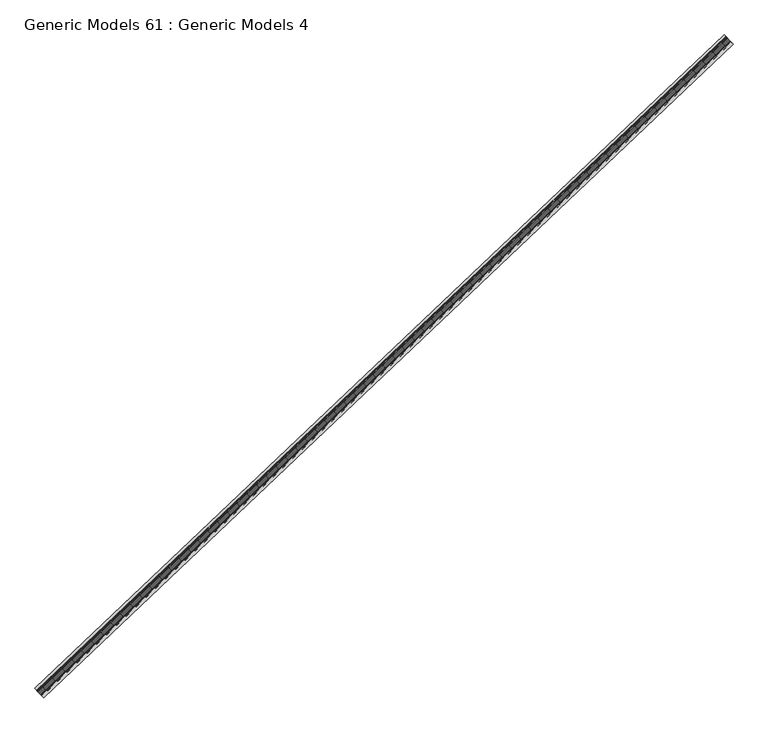
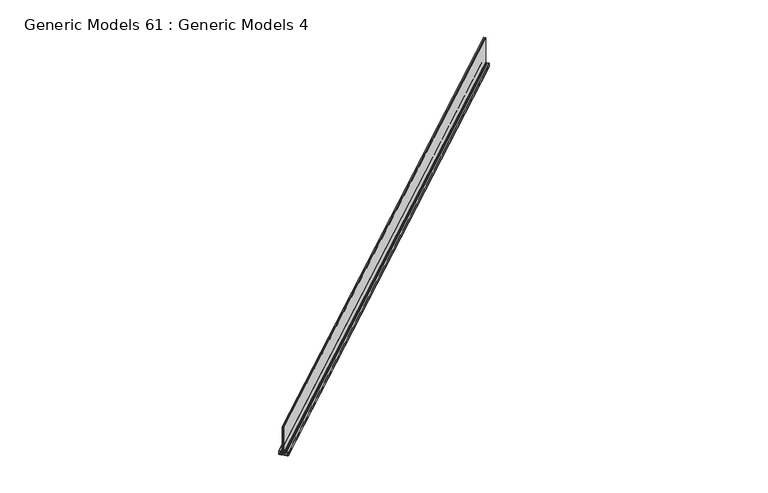
"""IFC4 building model written with IfcOpenShell, lengths in millimetres: proxy geometry, Generic Models 61 : Generic Models 4."""

from ifc_helpers import new_model, si_unit, point, frame, frame_2d, origin, place, context, project, spatial, polyline, circle_curve, trimmed, segment, composite_curve, outline, extrude, source, transform, mapped, element, save


def generic_models_61_generic_models_4_be3d2a1e(model_context):
    return source(origin(), model_context, "Body", "SweptSolid", [
        extrude(outline(composite_curve([segment(trimmed(circle_curve(frame_2d((7.747, 17.5791343)), 1.5795625), [point((9.3265625, 17.5791343))], [point((8.2880548, 16.095127))], False, "CARTESIAN"), True, "CONTINUOUS"), segment(polyline([(8.2880548, 16.095127), (4.4148375, 14.6829892), (4.4148375, 16.1726634), (1.8335625, 16.1726634), (1.8335625, 11.8546634), (0.1984375, 11.8546634), (0.1984375, 21.1353154), (1.8335625, 21.1353154), (1.8335625, 17.5539155), (8.4534375, 17.5539155), (8.4534375, 21.1353154), (9.3265625, 21.1353154), (9.3265625, 17.5791343)]), True, "CONTINUOUS")], self_intersect=False)), frame((109946.1321227, 47311.0721319, 18408.65), z_axis=(0.725374371012385, 0.6883545756936514, 0.0), x_axis=(0.0, 0.0, 1.0)), (0.0, 0.0, 1.0), 8321.675),
        extrude(outline(composite_curve([segment(trimmed(circle_curve(frame_2d((6.096, 96.6885997)), 0.7064375), [point((6.3378975, 97.3523312))], [point((5.390864, 96.6457372))], True, "CARTESIAN"), True, "CONTINUOUS"), segment(polyline([(5.390864, 96.6457372), (1.8335625, 96.6457372), (1.8335625, 33.5511529)]), True, "CONTINUOUS"), segment(trimmed(circle_curve(frame_2d((2.54, 33.5511529)), 0.7064375), [point((1.8335625, 33.5511529))], [point((2.54, 32.8447154))], True, "CARTESIAN"), True, "CONTINUOUS"), segment(polyline([(2.54, 32.8447154), (7.747, 32.8447154)]), True, "CONTINUOUS"), segment(trimmed(circle_curve(frame_2d((7.747, 31.2651528)), 1.5795625), [point((7.747, 32.8447154))], [point((9.3265625, 31.2651528))], False, "CARTESIAN"), True, "CONTINUOUS"), segment(polyline([(9.3265625, 31.2651528), (9.3265625, 27.8821904), (8.4534375, 27.8821904), (8.4534375, 31.4635904), (1.8335625, 31.4635904), (1.8335625, 27.8821904), (0.1984375, 27.8821904), (0.1984375, 102.3448622), (1.8335625, 102.3448622), (1.8335625, 98.0268622), (4.4148375, 98.0268622), (4.4148375, 99.5165363), (9.659985, 97.6042059)]), True, "CONTINUOUS"), segment(trimmed(circle_curve(frame_2d((9.4234, 96.9552996)), 0.6906895), [point((9.659985, 97.6042059))], [point((9.1874141, 96.3061751))], False, "CARTESIAN"), True, "CONTINUOUS"), segment(polyline([(9.1874141, 96.3061751), (6.3378975, 97.3523312)]), True, "CONTINUOUS")], self_intersect=False)), frame((109946.1321227, 47311.0721319, 18408.65), z_axis=(0.725374371012385, 0.6883545756936514, 0.0), x_axis=(0.0, 0.0, 1.0)), (0.0, 0.0, 1.0), 8321.675),
        extrude(outline(composite_curve([segment(trimmed(circle_curve(frame_2d((27.94, 74.6124999)), 2.54), [point((27.94, 77.1525))], [point((25.4, 74.6124999))], True, "CARTESIAN"), True, "CONTINUOUS"), segment(polyline([(25.4, 74.6124999), (25.4, 53.1368), (23.368, 53.1368), (23.368, 56.7182), (17.145, 56.7182), (17.145, 53.1368), (15.875, 53.1368), (15.875, 56.7182)]), True, "CONTINUOUS"), segment(trimmed(circle_curve(frame_2d((17.653, 56.7182)), 1.778), [point((15.875, 56.7182))], [point((17.653, 58.4962))], False, "CARTESIAN"), True, "CONTINUOUS"), segment(polyline([(17.653, 58.4962), (22.86, 58.4962)]), True, "CONTINUOUS"), segment(trimmed(circle_curve(frame_2d((22.86, 59.0041999)), 0.508), [point((22.86, 58.4962))], [point((23.368, 59.0041999))], True, "CARTESIAN"), True, "CONTINUOUS"), segment(polyline([(23.368, 59.0041999), (23.368, 74.8664999)]), True, "CONTINUOUS"), segment(trimmed(circle_curve(frame_2d((27.686, 74.8664999)), 4.318), [point((23.368, 74.8664999))], [point((27.686, 79.1845))], False, "CARTESIAN"), True, "CONTINUOUS"), segment(polyline([(27.686, 79.1845), (42.7842256, 79.1845), (44.4886836, 80.8903736)]), True, "CONTINUOUS"), segment(trimmed(circle_curve(frame_2d((46.3753201, 79.005303)), 2.667), [point((44.4886836, 80.8903736))], [point((46.3753201, 81.6723029))], False, "CARTESIAN"), True, "CONTINUOUS"), segment(polyline([(46.3753201, 81.6723029), (48.26, 81.6723029)]), True, "CONTINUOUS"), segment(trimmed(circle_curve(frame_2d((48.26, 82.180303)), 0.508), [point((48.26, 81.6723029))], [point((48.768, 82.180303))], True, "CARTESIAN"), True, "CONTINUOUS"), segment(polyline([(48.768, 82.180303), (48.768, 83.9918351)]), True, "CONTINUOUS"), segment(trimmed(circle_curve(frame_2d((48.26, 83.9918351)), 0.508), [point((48.768, 83.9918351))], [point((48.0183568, 84.4386825))], True, "CARTESIAN"), True, "CONTINUOUS"), segment(trimmed(circle_curve(frame_2d((46.0248, 88.1251729)), 4.191), [point((48.0183568, 84.4386825))], [point((42.9768, 85.248686))], False, "CARTESIAN"), True, "CONTINUOUS"), segment(polyline([(42.9768, 85.248686), (42.9768, 86.3654094), (43.9350807, 86.9186729)]), True, "CONTINUOUS"), segment(trimmed(circle_curve(frame_2d((46.0248, 88.1251729)), 2.413), [point((43.9350807, 86.9186729))], [point((43.9350807, 89.3316729))], True, "CARTESIAN"), True, "CONTINUOUS"), segment(polyline([(43.9350807, 89.3316729), (42.9768, 89.8849366), (42.9768, 91.0016599)]), True, "CONTINUOUS"), segment(trimmed(circle_curve(frame_2d((46.0248, 88.1251729)), 4.191), [point((42.9768, 91.0016599))], [point((48.0183568, 91.8116635))], False, "CARTESIAN"), True, "CONTINUOUS"), segment(trimmed(circle_curve(frame_2d((48.26, 92.2585109)), 0.508), [point((48.0183568, 91.8116635))], [point((48.768, 92.2585109))], True, "CARTESIAN"), True, "CONTINUOUS"), segment(polyline([(48.768, 92.2585109), (48.768, 110.743873)]), True, "CONTINUOUS"), segment(trimmed(circle_curve(frame_2d((47.244, 110.743873)), 1.524), [point((48.768, 110.743873))], [point((47.244, 112.2678729))], True, "CARTESIAN"), True, "CONTINUOUS"), segment(polyline([(47.244, 112.2678729), (3.556, 112.2678729)]), True, "CONTINUOUS"), segment(trimmed(circle_curve(frame_2d((3.556, 110.743873)), 1.524), [point((3.556, 112.2678729))], [point((2.032, 110.743873))], True, "CARTESIAN"), True, "CONTINUOUS"), segment(polyline([(2.032, 110.743873), (2.032, 104.687714)]), True, "CONTINUOUS"), segment(trimmed(circle_curve(frame_2d((2.54, 103.2508729)), 1.524), [point((2.032, 104.687714))], [point((4.064, 103.2508729))], False, "CARTESIAN"), True, "CONTINUOUS"), segment(polyline([(4.064, 103.2508729), (4.064, 98.4927015)]), True, "CONTINUOUS"), segment(trimmed(circle_curve(frame_2d((3.6068, 99.9996729)), 1.5748), [point((4.064, 98.4927015))], [point((2.032, 99.9996729))], False, "CARTESIAN"), True, "CONTINUOUS"), segment(polyline([(2.032, 99.9996729), (2.032, 102.742873), (0.0, 102.742873), (0.0, 114.299873), (50.8, 114.299873), (50.8, 79.6403029), (46.11214, 79.6403029), (44.2341, 77.760703), (44.2341, 76.286649), (47.2313, 75.628373), (49.0093, 75.628373), (49.0093, 74.6123729), (42.9641, 74.6123729), (42.9641, 76.6445)]), True, "CONTINUOUS"), segment(trimmed(circle_curve(frame_2d((42.4561, 76.6445)), 0.508), [point((42.9641, 76.6445))], [point((42.4561, 77.1525))], True, "CARTESIAN"), True, "CONTINUOUS"), segment(polyline([(42.4561, 77.1525), (27.94, 77.1525)]), True, "CONTINUOUS")], self_intersect=False)), frame((109946.1321227, 47311.0721319, 18408.65), z_axis=(0.725374371012385, 0.6883545756936514, 0.0), x_axis=(0.0, 0.0, 1.0)), (0.0, 0.0, 1.0), 8321.675),
        extrude(outline(composite_curve([segment(trimmed(circle_curve(frame_2d((42.4561, 37.655373)), 0.508), [point((42.4561, 37.1473729))], [point((42.9641, 37.655373))], True, "CARTESIAN"), True, "CONTINUOUS"), segment(polyline([(42.9641, 37.655373), (42.9641, 39.6874999), (49.0093, 39.6874999), (49.0093, 38.6715), (47.2313, 38.6715), (44.2341, 38.0132239), (44.2341, 36.5391699), (46.11214, 34.65957), (50.8, 34.65957), (50.8, 0.0), (0.0, 0.0), (0.0, 11.557), (2.032, 11.557), (2.032, 14.3002)]), True, "CONTINUOUS"), segment(trimmed(circle_curve(frame_2d((3.6068, 14.3002)), 1.5748), [point((2.032, 14.3002))], [point((4.064, 15.8071715))], False, "CARTESIAN"), True, "CONTINUOUS"), segment(polyline([(4.064, 15.8071715), (4.064, 11.049)]), True, "CONTINUOUS"), segment(trimmed(circle_curve(frame_2d((2.54, 11.049)), 1.524), [point((4.064, 11.049))], [point((2.032, 9.612159))], False, "CARTESIAN"), True, "CONTINUOUS"), segment(polyline([(2.032, 9.612159), (2.032, 3.5558729)]), True, "CONTINUOUS"), segment(trimmed(circle_curve(frame_2d((3.556, 3.5558729)), 1.524), [point((2.032, 3.5558729))], [point((3.556, 2.0318729))], True, "CARTESIAN"), True, "CONTINUOUS"), segment(polyline([(3.556, 2.0318729), (47.244, 2.0318729)]), True, "CONTINUOUS"), segment(trimmed(circle_curve(frame_2d((47.244, 3.5558729)), 1.524), [point((47.244, 2.0318729))], [point((48.768, 3.5558729))], True, "CARTESIAN"), True, "CONTINUOUS"), segment(polyline([(48.768, 3.5558729), (48.768, 22.0413621)]), True, "CONTINUOUS"), segment(trimmed(circle_curve(frame_2d((48.26, 22.0413621)), 0.508), [point((48.768, 22.0413621))], [point((48.0183568, 22.4882095))], True, "CARTESIAN"), True, "CONTINUOUS"), segment(trimmed(circle_curve(frame_2d((46.0248, 26.1747)), 4.191), [point((48.0183568, 22.4882095))], [point((42.9768, 23.298213))], False, "CARTESIAN"), True, "CONTINUOUS"), segment(polyline([(42.9768, 23.298213), (42.9768, 24.4149363), (43.9350807, 24.9682)]), True, "CONTINUOUS"), segment(trimmed(circle_curve(frame_2d((46.0248, 26.1747)), 2.413), [point((43.9350807, 24.9682))], [point((43.9350807, 27.3812))], True, "CARTESIAN"), True, "CONTINUOUS"), segment(polyline([(43.9350807, 27.3812), (42.9768, 27.9344636), (42.9768, 29.0511869)]), True, "CONTINUOUS"), segment(trimmed(circle_curve(frame_2d((46.0248, 26.1747)), 4.191), [point((42.9768, 29.0511869))], [point((48.0183568, 29.8611905))], False, "CARTESIAN"), True, "CONTINUOUS"), segment(trimmed(circle_curve(frame_2d((48.26, 30.3080378)), 0.508), [point((48.0183568, 29.8611905))], [point((48.768, 30.3080378))], True, "CARTESIAN"), True, "CONTINUOUS"), segment(polyline([(48.768, 30.3080378), (48.768, 32.11957)]), True, "CONTINUOUS"), segment(trimmed(circle_curve(frame_2d((48.26, 32.11957)), 0.508), [point((48.768, 32.11957))], [point((48.26, 32.6275699))], True, "CARTESIAN"), True, "CONTINUOUS"), segment(polyline([(48.26, 32.6275699), (46.3753201, 32.6275699)]), True, "CONTINUOUS"), segment(trimmed(circle_curve(frame_2d((46.3753201, 35.29457)), 2.667), [point((46.3753201, 32.6275699))], [point((44.4886836, 33.4094993))], False, "CARTESIAN"), True, "CONTINUOUS"), segment(polyline([(44.4886836, 33.4094993), (42.7842256, 35.1153729), (27.686, 35.1153729)]), True, "CONTINUOUS"), segment(trimmed(circle_curve(frame_2d((27.686, 39.4333729)), 4.318), [point((27.686, 35.1153729))], [point((23.368, 39.4333729))], False, "CARTESIAN"), True, "CONTINUOUS"), segment(polyline([(23.368, 39.4333729), (23.368, 41.427273), (17.653, 41.427273)]), True, "CONTINUOUS"), segment(trimmed(circle_curve(frame_2d((17.653, 43.2052729)), 1.778), [point((17.653, 41.427273))], [point((15.875, 43.2052729))], False, "CARTESIAN"), True, "CONTINUOUS"), segment(polyline([(15.875, 43.2052729), (15.875, 46.7867999), (17.145, 46.7867999), (17.145, 43.2053999), (23.368, 43.2053999), (23.368, 46.7867999), (25.4, 46.7867999), (25.4, 39.687373)]), True, "CONTINUOUS"), segment(trimmed(circle_curve(frame_2d((27.94, 39.687373)), 2.54), [point((25.4, 39.687373))], [point((27.94, 37.1473729))], True, "CARTESIAN"), True, "CONTINUOUS"), segment(polyline([(27.94, 37.1473729), (42.4561, 37.1473729)]), True, "CONTINUOUS")], self_intersect=False)), frame((109946.1321227, 47311.0721319, 18408.65), z_axis=(0.725374371012385, 0.6883545756936514, 0.0), x_axis=(0.0, 0.0, 1.0)), (0.0, 0.0, 1.0), 8321.675),
        extrude(outline(polyline([(109996.4167464, 47258.0831948), (109974.8346794, 47280.8259481), (116011.1644483, 53009.0890118), (116032.7465153, 52986.3462585), (109996.4167464, 47258.0831948)])), frame((0.0, 0.0, 18434.8992301), z_axis=(0.0, 0.0, 1.0), x_axis=(1.0, 0.0, 0.0)), (0.0, 0.0, 1.0), 14.684375),
        extrude(outline(polyline([(109981.1081689, 47274.2150695), (109976.7371174, 47278.8211968), (116013.0668863, 53007.0842604), (116017.4379378, 53002.4781332), (109981.1081689, 47274.2150695)])), frame((0.0, 0.0, 18449.925), z_axis=(0.0, 0.0, 1.0), x_axis=(1.0, 0.0, 0.0)), (0.0, 0.0, 1.0), 365.125),
        extrude(outline(polyline([(109994.2213236, 47260.3966877), (109989.850272, 47265.002815), (116026.1800409, 52993.2658787), (116030.5510925, 52988.6597514), (109994.2213236, 47260.3966877)])), frame((0.0, 0.0, 18449.925), z_axis=(0.0, 0.0, 1.0), x_axis=(1.0, 0.0, 0.0)), (0.0, 0.0, 1.0), 365.125),
        extrude(outline(polyline([(109989.7136767, 47265.1467565), (109981.2447643, 47274.071128), (116017.5745332, 53002.3341917), (116026.0434456, 52993.4098201), (109989.7136767, 47265.1467565)])), frame((0.0, 0.0, 18449.925), z_axis=(0.0, 0.0, 1.0), x_axis=(1.0, 0.0, 0.0)), (0.0, 0.0, 1.0), 6.35),
        extrude(outline(composite_curve([segment(trimmed(circle_curve(frame_2d((57.8804882, 76.1301744)), 4.9643345), [point((52.9577698, 76.7716265))], [point((54.2815489, 72.7107808))], True, "CARTESIAN"), True, "CONTINUOUS"), segment(polyline([(54.2815489, 72.7107808), (57.2408154, 70.1619071), (44.329329, 70.1619071), (44.329329, 74.1433571), (49.7804866, 74.1433571), (49.7804866, 75.8820301), (47.8854153, 75.8820301), (44.8848926, 76.5410359), (44.8848926, 77.5316267), (46.5305452, 79.1786463), (51.1842084, 79.1786463), (51.1842084, 80.9559916), (52.3365882, 80.9559916)]), True, "CONTINUOUS"), segment(trimmed(circle_curve(frame_2d((40.9652777, 77.1295956)), 11.9978335), [point((52.3365882, 80.9559916))], [point((52.9577698, 76.7716265))], False, "CARTESIAN"), True, "CONTINUOUS")], self_intersect=False)), frame((109946.1321227, 47311.0721319, 18408.65), z_axis=(0.725374371012385, 0.6883545756936514, 0.0), x_axis=(0.0, 0.0, 1.0)), (0.0, 0.0, 1.0), 8321.675),
        extrude(outline(composite_curve([segment(trimmed(circle_curve(frame_2d((40.9652777, 37.0453364)), 11.9978335), [point((52.9577698, 37.4033055))], [point((52.3365882, 33.2189404))], False, "CARTESIAN"), True, "CONTINUOUS"), segment(polyline([(52.3365882, 33.2189404), (51.1842084, 33.2189404), (51.1842084, 34.9962857), (46.5305452, 34.9962857), (44.8848926, 36.6433052), (44.8848926, 37.633896), (47.8854153, 38.2929019), (49.7804866, 38.2929019), (49.7804866, 40.0315749), (44.329329, 40.0315749), (44.329329, 44.0130249), (57.2408154, 44.0130249), (54.2815489, 41.4641511)]), True, "CONTINUOUS"), segment(trimmed(circle_curve(frame_2d((57.8804882, 38.0447575)), 4.9643345), [point((54.2815489, 41.4641511))], [point((52.9577698, 37.4033055))], True, "CARTESIAN"), True, "CONTINUOUS")], self_intersect=False)), frame((109946.1321227, 47311.0721319, 18408.65), z_axis=(0.725374371012385, 0.6883545756936514, 0.0), x_axis=(0.0, 0.0, 1.0)), (0.0, 0.0, 1.0), 8321.675),
        extrude(outline(polyline([(109967.5170384, 47288.5371327), (109958.4886314, 47298.0510886), (115994.8184003, 53026.3141523), (116003.8468073, 53016.8001964), (109967.5170384, 47288.5371327)])), frame((0.0, 0.0, 18410.8804375), z_axis=(0.0, 0.0, 1.0), x_axis=(1.0, 0.0, 0.0)), (0.0, 0.0, 1.0), 5.826125),
        extrude(outline(polyline([(109985.0377598, 47270.0741447), (109976.0093528, 47279.5881006), (116012.3391217, 53007.8511643), (116021.3675287, 52998.3372084), (109985.0377598, 47270.0741447)])), frame((0.0, 0.0, 18425.9934375), z_axis=(0.0, 0.0, 1.0), x_axis=(1.0, 0.0, 0.0)), (0.0, 0.0, 1.0), 5.826125),
    ])


if __name__ == "__main__":
    model = new_model("IFC4")
    model_context = context("Model", 3, world=origin())
    ifc_project = project(units=[si_unit("LENGTHUNIT", "METRE", prefix="MILLI")], contexts=[model_context])
    site = spatial("IfcSite", under=ifc_project)
    building = spatial("IfcBuilding", under=site)
    placement = place(None, origin())
    generic_models_61_generic_models_4_shape = generic_models_61_generic_models_4_be3d2a1e(model_context)
    element("IfcBuildingElementProxy", 1, Name="Generic Models 61 : Generic Models 4", ObjectType="Generic Models 61 : Generic Models 4", at=placement, inside=building, context=model_context, shape_type="MappedRepresentation", body=[
        mapped(generic_models_61_generic_models_4_shape, transform((0.0, 0.0, 0.0), x_axis=(1.0, 0.0, 0.0), y_axis=(0.0, 1.0, 0.0), z_axis=(0.0, 0.0, 1.0))),
    ])
    save(model, "model.ifc")
